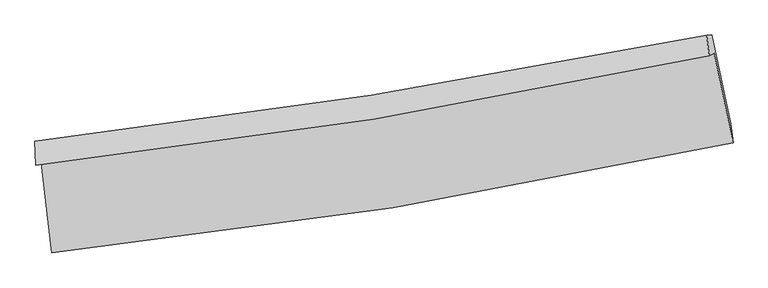
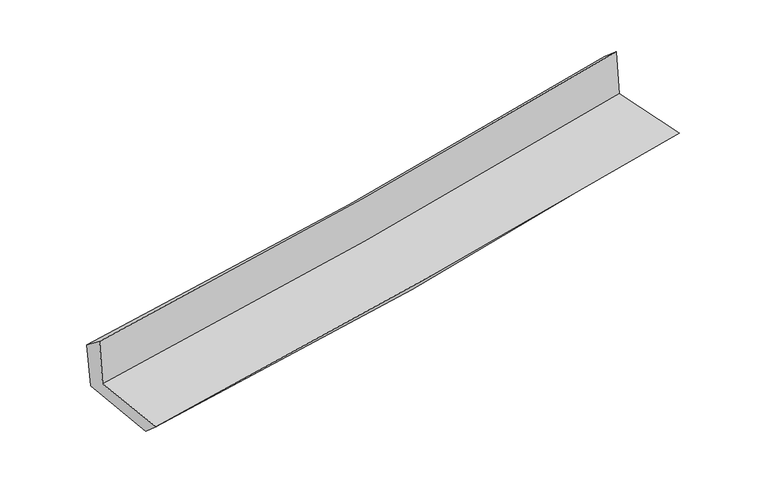
"""IFC4 building model written with IfcOpenShell, lengths in millimetres: proxy geometry."""

from ifc_helpers import new_model, si_unit, frame, origin, place, context, project, spatial, source, transform, mapped, element, save
from ifc_brep_helpers import plane_surface, spline_curve, spline_surface, advanced_brep


def generic_models_3cb6f751(model_context):
    return source(origin(), model_context, "Body", "AdvancedBrep", [
        advanced_brep(
        [(-2470.5765916, -1879.1150888, 1672.1161802), (-2391.7505546, -2534.8115235, 1651.7115479), (2555.0390374, -1735.1180662, 2096.9642266), (2417.9860553, -1083.9282669, 2111.8869289), (-2507.455893, -1898.0803711, 2080.1898361), (2381.6947032, -1102.6459728, 2515.192626), (-2514.8702604, -1724.7122015, 1945.4564315), (2363.7105409, -955.485681, 2388.2243254), (-2478.4570613, -1721.0603484, 1560.9823893), (2400.7266556, -951.7065304, 2008.854974), (-2396.4664267, -2390.1051759, 1523.8834388), (2538.1792952, -1597.2541431, 1978.133849)],
        [
            (0, 1),
            (1, 2, spline_curve(3, [(-2391.7505546, -2534.8115235, 1651.7115479), (-1563.861983171, -2448.48225252, 1751.943057704), (-738.518509167, -2338.859515616, 1839.114351775), (910.432145599, -2072.485315004, 1987.638600691), (1734.018535905, -1915.543566343, 2048.884866222), (2555.0390374, -1735.1180662, 2096.9642266)], [4, 2, 4], [0.0, 8.191936946098693, 16.417265985965614])),
            (2, 3),
            (3, 0, spline_curve(3, [(2417.9860553, -1083.9282669, 2111.8869289), (1607.189206246, -1257.571881256, 2050.330760061), (793.576248847, -1410.752501971, 1982.818483399), (-835.967451821, -1675.648967507, 1836.179972547), (-1651.875376852, -1787.530620638, 1757.101999462), (-2470.5765916, -1879.1150888, 1672.1161802)], [4, 2, 4], [0.0, 8.22532903986692, 16.417265985965614])),
            (4, 0),
            (3, 5),
            (5, 4, spline_curve(3, [(2381.6947032, -1102.6459728, 2515.192626), (1570.644933535, -1276.411994334, 2456.154122494), (756.856578078, -1429.674409784, 2390.297066189), (-872.882477507, -1694.653071709, 2245.240886755), (-1688.810987425, -1806.535455619, 2166.097012824), (-2507.455893, -1898.0803711, 2080.1898361)], [4, 2, 4], [0.0, 8.176680803135053, 16.32016700812482])),
            (6, 4),
            (5, 7),
            (7, 6, spline_curve(3, [(2363.7105409, -955.485681, 2388.2243254), (1554.315111189, -1116.698649171, 2311.769229646), (742.236646213, -1261.504420923, 2236.571862361), (-883.978694544, -1517.780316266, 2088.992755722), (-1698.093830053, -1629.383384469, 2016.600824933), (-2514.8702604, -1724.7122015, 1945.4564315)], [4, 2, 4], [0.0, 8.164662149192596, 16.29617849196817])),
            (8, 6),
            (7, 9),
            (9, 8, spline_curve(3, [(2400.7266556, -951.7065304, 2008.854974), (1591.075053217, -1112.964437143, 1933.203287064), (778.818314892, -1257.803283604, 1857.979684055), (-847.597366538, -1514.121515275, 1708.692291416), (-1661.735200479, -1625.733941119, 1634.625032538), (-2478.4570613, -1721.0603484, 1560.9823893)], [4, 2, 4], [0.0, 8.153622886921315, 16.2741447831502])),
            (10, 8),
            (9, 11),
            (11, 10, spline_curve(3, [(2538.1792952, -1597.2541431, 1978.133849), (1721.402498261, -1773.932707654, 1900.853730362), (900.949754911, -1928.432275358, 1824.283918201), (-743.961938173, -2192.536239837, 1672.872870304), (-1568.391101866, -2302.320349541, 1598.025879245), (-2396.4664267, -2390.1051759, 1523.8834388)], [4, 2, 4], [0.0, 8.203573425421997, 16.373843077617597])),
            (1, 10),
            (11, 2),
        ],
        [
            spline_surface(3, 3, [[(-2470.5765916, -1879.1150888, 1672.1161802), (-1651.875376935, -1787.530620528, 1757.101999384), (-835.967451897, -1675.648967406, 1836.179972462), (793.576248923, -1410.752502072, 1982.818483485), (1607.189206161, -1257.571881192, 2050.330759982), (2417.9860553, -1083.9282669, 2111.8869289)], [(-2444.301245931, -2097.680567031, 1665.314636088), (-1622.53757898, -2007.84783115, 1755.382352146), (-803.484471032, -1896.71915011, 1837.15809887), (832.528214524, -1631.330106429, 1984.425189234), (1649.465649418, -1476.895776205, 2049.848795418), (2463.670382666, -1300.991533339, 2106.912694785)], [(-2418.025900269, -2316.246045269, 1658.513092012), (-1593.199781031, -2228.16504178, 1753.662704943), (-771.001490162, -2117.789332794, 1838.136225301), (871.480180129, -1851.907710767, 1986.031895008), (1691.742092676, -1696.2196712, 2049.366830899), (2509.354710034, -1518.054799761, 2101.938460715)], [(-2391.7505546, -2534.8115235, 1651.7115479), (-1563.861983076, -2448.482252402, 1751.943057705), (-738.518509297, -2338.859515497, 1839.114351709), (910.43214573, -2072.485315124, 1987.638600757), (1734.018535932, -1915.543566213, 2048.884866335), (2555.0390374, -1735.1180662, 2096.9642266)]], [4, 4], [4, 2, 4], [0.0, 2.201758577176834], [0.0, 8.191936946098693, 16.417265985965614]),
            spline_surface(3, 3, [[(-2507.455893, -1898.0803711, 2080.1898361), (-1688.810987498, -1806.535455613, 2166.097012904), (-872.882477593, -1694.65307161, 2245.240886624), (756.856578165, -1429.674409883, 2390.297066322), (1570.644933659, -1276.411994428, 2456.154122561), (2381.6947032, -1102.6459728, 2515.192626)], [(-2495.162792553, -1891.758610321, 1944.165284134), (-1676.49911733, -1800.200510573, 2029.765341732), (-860.577469031, -1688.318370206, 2108.887248591), (769.096468415, -1423.367107277, 2254.470872064), (1582.826357819, -1270.131956675, 2320.87966836), (2393.791820559, -1096.406737492, 2380.757393626)], [(-2482.869692047, -1885.436849579, 1808.140732166), (-1664.187247103, -1793.865565568, 1893.433670557), (-848.272460459, -1681.983668811, 1972.533610495), (781.336358673, -1417.059804678, 2118.644677742), (1595.007782002, -1263.851918945, 2185.605214182), (2405.888937941, -1090.167502208, 2246.322161274)], [(-2470.5765916, -1879.1150888, 1672.1161802), (-1651.875376935, -1787.530620528, 1757.101999384), (-835.967451897, -1675.648967406, 1836.179972462), (793.576248923, -1410.752502072, 1982.818483485), (1607.189206161, -1257.571881192, 2050.330759982), (2417.9860553, -1083.9282669, 2111.8869289)]], [4, 4], [4, 2, 4], [0.0, 1.346330649199631], [0.0, 8.143486204989767, 16.32016700812482]),
            spline_surface(3, 3, [[(-2514.8702604, -1724.7122015, 1945.4564315), (-1698.093829929, -1629.383384515, 2016.600824808), (-883.978694493, -1517.780316136, 2088.992755665), (742.236646162, -1261.504421054, 2236.571862418), (1554.315111194, -1116.698649279, 2311.769229576), (2363.7105409, -955.485681, 2388.2243254)], [(-2512.398804587, -1782.501591372, 1990.367566365), (-1694.999549105, -1688.434074886, 2066.432887505), (-880.279955497, -1576.737901295, 2141.075465985), (747.109956859, -1317.561083998, 2287.813597053), (1559.75838538, -1169.93643102, 2359.897527264), (2369.705261698, -1004.539111625, 2430.547092293)], [(-2509.927348813, -1840.290981228, 2035.278701235), (-1691.905268322, -1747.484765241, 2116.264950207), (-876.581216589, -1635.695486451, 2193.158176304), (751.983267468, -1373.617746939, 2339.055331687), (1565.201659473, -1223.174212687, 2408.025824873), (2375.699982402, -1053.592542175, 2472.869859107)], [(-2507.455893, -1898.0803711, 2080.1898361), (-1688.810987498, -1806.535455613, 2166.097012904), (-872.882477593, -1694.65307161, 2245.240886624), (756.856578165, -1429.674409883, 2390.297066322), (1570.644933659, -1276.411994428, 2456.154122561), (2381.6947032, -1102.6459728, 2515.192626)]], [4, 4], [4, 2, 4], [0.0, 0.761990579767575], [0.0, 8.131516342775575, 16.29617849196817]),
            spline_surface(3, 3, [[(-2478.4570613, -1721.0603484, 1560.9823893), (-1661.735200398, -1625.733941215, 1634.625032652), (-847.597366497, -1514.121515152, 1708.692291309), (778.818314852, -1257.803283728, 1857.979684162), (1591.075053218, -1112.964437078, 1933.203287096), (2400.7266556, -951.7065304, 2008.854974)], [(-2490.594794316, -1722.277632772, 1689.140403371), (-1673.854743558, -1626.95042232, 1761.950296709), (-859.72447583, -1515.341115477, 1835.459112733), (766.624425288, -1259.036996166, 1984.177076886), (1578.821739194, -1114.209174455, 2059.391934582), (2388.387950684, -952.966247243, 2135.311424459)], [(-2502.732527384, -1723.494917128, 1817.298417429), (-1685.97428677, -1628.166903409, 1889.275560751), (-871.851585161, -1516.560715811, 1962.225934241), (754.430535726, -1260.270708615, 2110.374469694), (1566.568425218, -1115.453911902, 2185.58058209), (2376.049245816, -954.225964157, 2261.767874941)], [(-2514.8702604, -1724.7122015, 1945.4564315), (-1698.093829929, -1629.383384515, 2016.600824808), (-883.978694493, -1517.780316136, 2088.992755665), (742.236646162, -1261.504421054, 2236.571862418), (1554.315111194, -1116.698649279, 2311.769229576), (2363.7105409, -955.485681, 2388.2243254)]], [4, 4], [4, 2, 4], [0.0, 1.2506902237585849], [0.0, 8.120521896228883, 16.2741447831502]),
            spline_surface(3, 3, [[(-2396.4664267, -2390.1051759, 1523.8834388), (-1568.391101884, -2302.320349666, 1598.025879177), (-743.961938095, -2192.53623984, 1672.872870306), (900.949754833, -1928.432275355, 1824.283918199), (1721.402498396, -1773.932707623, 1900.853730472), (2538.1792952, -1597.2541431, 1978.133849)], [(-2423.796638263, -2167.090233385, 1536.249755643), (-1599.505801418, -2076.791546833, 1610.225597011), (-778.507080898, -1966.39799828, 1684.812677336), (860.239274837, -1704.889278149, 1835.515840215), (1677.960016683, -1553.609950803, 1911.636916012), (2492.36174868, -1382.071605562, 1988.374223999)], [(-2451.126849737, -1944.075290915, 1548.616072457), (-1630.620500864, -1851.262744047, 1622.425314818), (-813.052223695, -1740.259756711, 1696.75248428), (819.528794847, -1481.346280934, 1846.747762146), (1634.517534931, -1333.287193898, 1922.420101556), (2446.54420212, -1166.889067938, 1998.614599001)], [(-2478.4570613, -1721.0603484, 1560.9823893), (-1661.735200398, -1625.733941215, 1634.625032652), (-847.597366497, -1514.121515152, 1708.692291309), (778.818314852, -1257.803283728, 1857.979684162), (1591.075053218, -1112.964437078, 1933.203287096), (2400.7266556, -951.7065304, 2008.854974)]], [4, 4], [4, 2, 4], [0.0, 2.2466381662126516], [0.0, 8.1702696521956, 16.373843077617597]),
            spline_surface(3, 3, [[(-2391.7505546, -2534.8115235, 1651.7115479), (-1563.861983076, -2448.482252402, 1751.943057705), (-738.518509297, -2338.859515497, 1839.114351709), (910.43214573, -2072.485315124, 1987.638600757), (1734.018535932, -1915.543566213, 2048.884866335), (2555.0390374, -1735.1180662, 2096.9642266)], [(-2393.322511951, -2486.576074318, 1609.102178199), (-1565.371689329, -2399.761618175, 1700.637331528), (-740.332985586, -2290.085090274, 1783.700524561), (907.271348742, -2024.467635196, 1933.187039891), (1729.813190067, -1868.339946655, 1999.541154386), (2549.419123314, -1689.163425139, 2057.354100738)], [(-2394.894469349, -2438.340625082, 1566.492808501), (-1566.881395631, -2351.040983893, 1649.331605354), (-742.147461807, -2241.310665063, 1728.286697454), (904.110551821, -1976.449955283, 1878.735479065), (1725.607844261, -1821.13632718, 1950.197442422), (2543.799209286, -1643.208784161, 2017.743974862)], [(-2396.4664267, -2390.1051759, 1523.8834388), (-1568.391101884, -2302.320349666, 1598.025879177), (-743.961938095, -2192.53623984, 1672.872870306), (900.949754833, -1928.432275355, 1824.283918199), (1721.402498396, -1773.932707623, 1900.853730472), (2538.1792952, -1597.2541431, 1978.133849)]], [4, 4], [4, 2, 4], [0.0, 0.7209677554312977], [0.0, 8.229678589176364, 16.49290311516112]),
            plane_surface(frame((2442.8893813, -1237.6897767, 2183.2094883), z_axis=(0.9743843747605078, 0.2028492740956745, 0.0970940895288285), x_axis=(-0.09710680995349182, -0.009914094298095808, 0.9952245868118939))),
            plane_surface(frame((-2459.9294646, -2024.6474515, 1739.0566373), z_axis=(-0.9887303543684967, -0.11591416399803803, -0.0947427724683154), x_axis=(-0.11930094635356792, 0.9923777491615959, 0.030881825854501093))),
        ],
        [
            (0, [[1, 2, 3, 4]]),
            (1, [[5, -4, 6, 7]]),
            (2, [[8, -7, 9, 10]]),
            (3, [[11, -10, 12, 13]]),
            (4, [[14, -13, 15, 16]]),
            (5, [[17, -16, 18, -2]]),
            (6, [[-12, -9, -6, -3, -18, -15]]),
            (7, [[-1, -5, -8, -11, -14, -17]]),
        ],
    ),
    ])


if __name__ == "__main__":
    model = new_model("IFC4")
    model_context = context("Model", 3, world=origin())
    ifc_project = project(units=[si_unit("LENGTHUNIT", "METRE", prefix="MILLI")], contexts=[model_context])
    site = spatial("IfcSite", under=ifc_project)
    building = spatial("IfcBuilding", under=site)
    placement = place(None, origin())
    generic_models_shape = generic_models_3cb6f751(model_context)
    element("IfcBuildingElementProxy", 1, Name="Generic Models", at=placement, inside=building, context=model_context, shape_type="MappedRepresentation", body=[
        mapped(generic_models_shape, transform((0.0, 0.0, 0.0), x_axis=(1.0, 0.0, 0.0), y_axis=(0.0, 1.0, 0.0), z_axis=(0.0, 0.0, 1.0))),
    ])
    save(model, "model.ifc")
